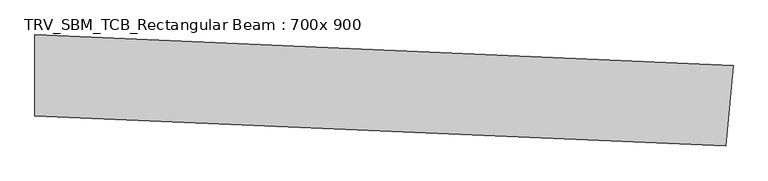
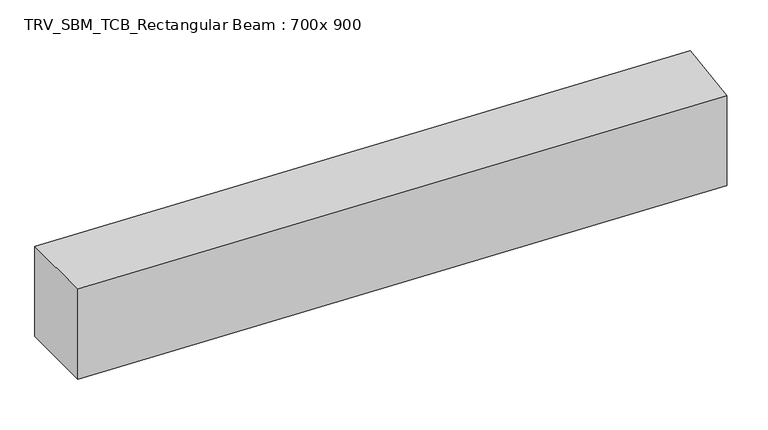
"""IFC4 building model written with IfcOpenShell, lengths in millimetres: beam geometry, TRV_SBM_TCB_Rectangular Beam : 700x 900."""

from ifc_helpers import new_model, si_unit, point, frame, frame_2d, origin, place, context, project, spatial, polyline, circle_curve, trimmed, segment, composite_curve, outline, extrude, source, transform, mapped, element, save


def trv_sbm_tcb_rectangular_beam_700x_900_8f33ef53(model_context):
    return source(origin(), model_context, "Body", "SweptSolid", [
        extrude(outline(composite_curve([segment(polyline([(6013.0885784, 85.9409461), (5951.7272446, -611.3644294)]), True, "CONTINUOUS"), segment(trimmed(circle_curve(frame_2d((0.0, -68246.325151)), 67896.325151), [point((5951.7272446, -611.3644294))], [point((-12.6357038, -350.0011758))], True, "CARTESIAN"), True, "CONTINUOUS"), segment(polyline([(-12.6357038, -350.0011758), (-12.7659758, 349.9988121)]), True, "CONTINUOUS"), segment(trimmed(circle_curve(frame_2d((0.0, -68246.325151)), 68596.325151), [point((-12.7659758, 349.9988121))], [point((6013.0885784, 85.9409461))], False, "CARTESIAN"), True, "CONTINUOUS")], self_intersect=False)), frame((0.0, 0.0, -450.0), z_axis=(0.0, 0.0, 1.0), x_axis=(1.0, 0.0, 0.0)), (0.0, 0.0, 1.0), 900.0),
    ])


if __name__ == "__main__":
    model = new_model("IFC4")
    model_context = context("Model", 3, world=origin())
    ifc_project = project(units=[si_unit("LENGTHUNIT", "METRE", prefix="MILLI")], contexts=[model_context])
    site = spatial("IfcSite", under=ifc_project)
    building = spatial("IfcBuilding", under=site)
    placement = place(None, origin())
    trv_sbm_tcb_rectangular_beam_700x_900_shape = trv_sbm_tcb_rectangular_beam_700x_900_8f33ef53(model_context)
    element("IfcBeam", 1, ObjectType="TRV_SBM_TCB_Rectangular Beam : 700x 900", at=placement, inside=building, context=model_context, shape_type="MappedRepresentation", body=[
        mapped(trv_sbm_tcb_rectangular_beam_700x_900_shape, transform((0.0, 0.0, 0.0), x_axis=(1.0, 0.0, 0.0), y_axis=(0.0, 1.0, 0.0), z_axis=(0.0, 0.0, 1.0))),
    ])
    save(model, "model.ifc")
